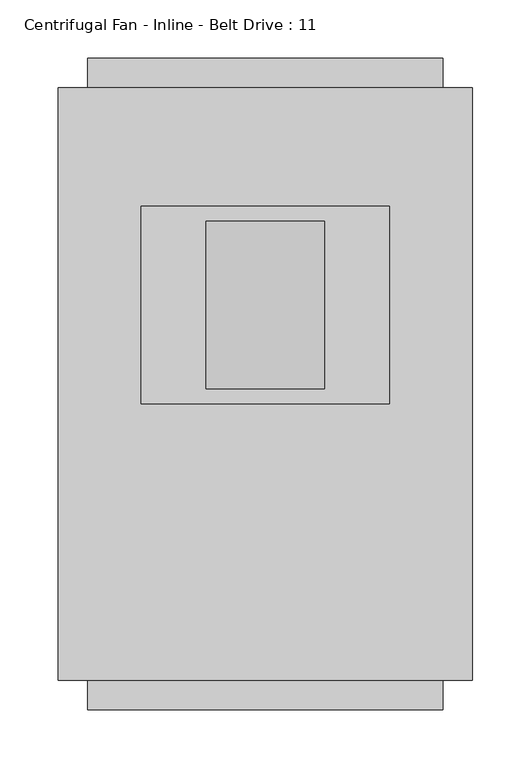
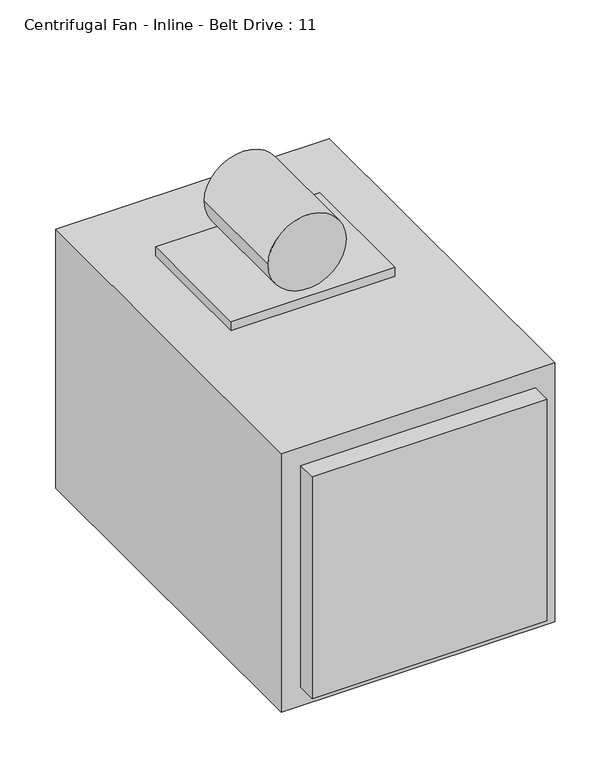
"""IFC4 building model written with IfcOpenShell, lengths in millimetres: proxy geometry, Centrifugal Fan - Inline - Belt Drive : 11."""

from ifc_helpers import new_model, si_unit, point, frame, frame_2d, origin, origin_with_axes, place, context, project, spatial, polyline, circle_curve, trimmed, segment, composite_curve, outline, extrude, source, transform, mapped, element, save


def centrifugal_fan_inline_belt_drive_11_c0119a74(model_context):
    return source(origin(), model_context, "Body", "SweptSolid", [
        extrude(outline(polyline([(152.4, -508.0), (152.4, -533.4), (-152.4, -533.4), (-152.4, -508.0), (152.4, -508.0)])), frame((0.0, 0.0, 25.4), z_axis=(0.0, 0.0, 1.0), x_axis=(1.0, 0.0, 0.0)), (0.0, 0.0, 1.0), 304.8),
        extrude(outline(polyline([(152.4, 25.4), (152.4, 0.0), (-152.4, 0.0), (-152.4, 25.4), (152.4, 25.4)])), frame((0.0, 0.0, 25.4), z_axis=(0.0, 0.0, 1.0), x_axis=(1.0, 0.0, 0.0)), (0.0, 0.0, 1.0), 304.8),
        extrude(outline(polyline([(177.8, 0.0), (177.8, -508.0), (-177.8, -508.0), (-177.8, 0.0), (177.8, 0.0)])), origin_with_axes(), (0.0, 0.0, 1.0), 355.6),
        extrude(outline(composite_curve([segment(trimmed(circle_curve(frame_2d((419.1, 0.0)), 50.8), [point((419.1, -50.8))], [point((419.1, 50.8))], False, "CARTESIAN"), True, "CONTINUOUS"), segment(trimmed(circle_curve(frame_2d((419.1, 0.0)), 50.8), [point((419.1, 50.8))], [point((419.1, -50.8))], False, "CARTESIAN"), True, "CONTINUOUS")], self_intersect=False)), frame((0.0, -258.2333333, 0.0), z_axis=(0.0, 1.0, 0.0), x_axis=(0.0, 0.0, 1.0)), (0.0, 0.0, 1.0), 143.9333333),
        extrude(outline(polyline([(106.68, -101.6), (106.68, -270.9333333), (-106.68, -270.9333333), (-106.68, -101.6), (106.68, -101.6)])), frame((0.0, 0.0, 355.6), z_axis=(0.0, 0.0, 1.0), x_axis=(1.0, 0.0, 0.0)), (0.0, 0.0, 1.0), 12.7),
    ])


if __name__ == "__main__":
    model = new_model("IFC4")
    model_context = context("Model", 3, world=origin())
    ifc_project = project(units=[si_unit("LENGTHUNIT", "METRE", prefix="MILLI")], contexts=[model_context])
    site = spatial("IfcSite", under=ifc_project)
    building = spatial("IfcBuilding", under=site)
    placement = place(None, origin())
    centrifugal_fan_inline_belt_drive_11_shape = centrifugal_fan_inline_belt_drive_11_c0119a74(model_context)
    element("IfcBuildingElementProxy", 1, Name="Centrifugal Fan - Inline - Belt Drive : 11", ObjectType="Centrifugal Fan - Inline - Belt Drive : 11", at=placement, inside=building, context=model_context, shape_type="MappedRepresentation", body=[
        mapped(centrifugal_fan_inline_belt_drive_11_shape, transform((0.0, 0.0, 0.0), x_axis=(1.0, 0.0, 0.0), y_axis=(0.0, 1.0, 0.0), z_axis=(0.0, 0.0, 1.0))),
    ])
    save(model, "model.ifc")
